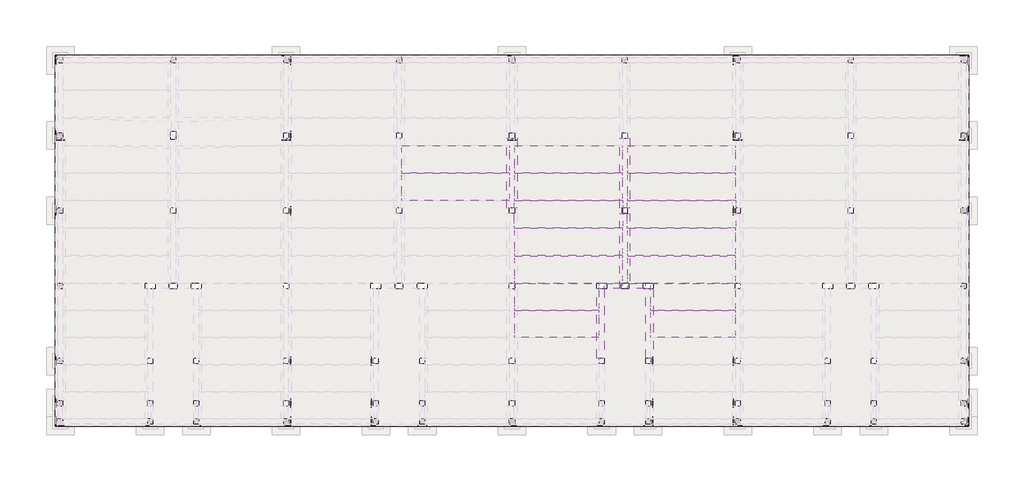
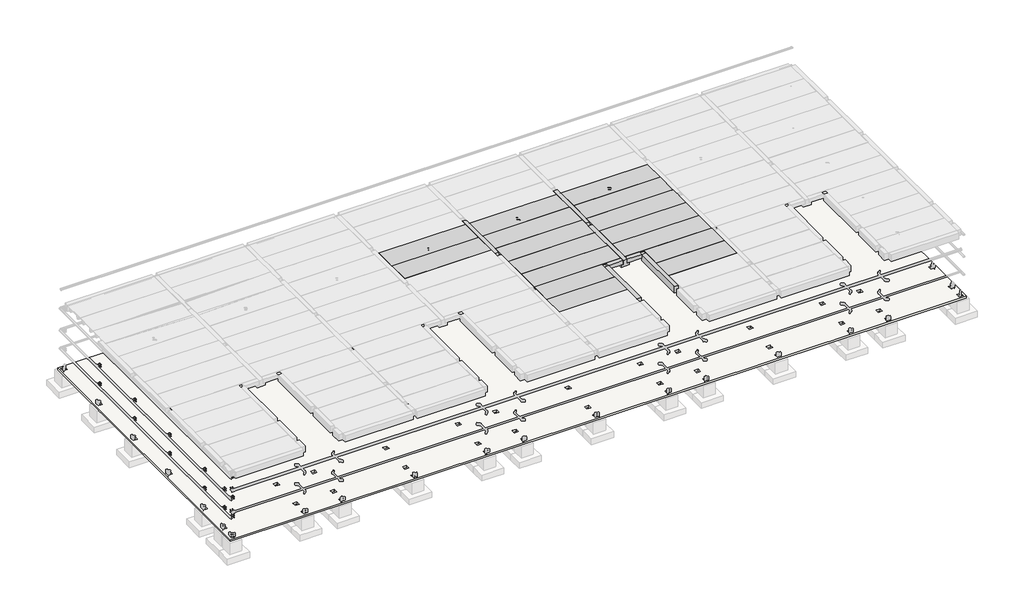
# One storey, part 31 of 65: 23 beams, 2 slabs.
"""IFC4 building model written with IfcOpenShell, lengths in millimetres."""

import ifcopenshell
import ifcopenshell.guid

model = None  # the IFC model being written
_history = None  # IfcOwnerHistory: only IFC2X3 demands one
_inside = {}  # id of a spatial element -> (the spatial element, [elements in it])
_under = {}  # id of a project, library or spatial element -> (it, [spatial elements below it])
_declared = {}  # id of a project -> (the project, [libraries it declares])
_typed = {}  # id of a type object -> (the type object, [elements of that type])
_made_of = {}  # id of a material, layer set ... -> (it, [elements and type objects made of it])


def new_model(schema):
    """Start an empty IFC model of exactly this schema.

    Asked for "IFC4X3", IfcOpenShell would pick the latest addendum, in which some entities
    have other attributes; the version numbers below select the first issue.
    IFC2X3 requires an IfcOwnerHistory on every rooted entity: one is made here for all.
    """
    global model, _history
    if schema == "IFC4X3":
        model = ifcopenshell.file(schema_version=(4, 3, 0, 0))
    else:
        model = ifcopenshell.file(schema=schema)
    _inside.clear()
    _under.clear()
    _declared.clear()
    _typed.clear()
    _made_of.clear()
    _history = None
    if model.schema == "IFC2X3":
        org = make("IfcOrganization", Name="unknown")
        user = make(
            "IfcPersonAndOrganization",
            ThePerson=make("IfcPerson", FamilyName="unknown"),
            TheOrganization=org,
        )
        app = make(
            "IfcApplication",
            ApplicationDeveloper=org,
            Version="unknown",
            ApplicationFullName="unknown",
            ApplicationIdentifier="unknown",
        )
        _history = make(
            "IfcOwnerHistory",
            OwningUser=user,
            OwningApplication=app,
            ChangeAction="ADDED",
            CreationDate=0,
        )
    return model


def make(cls, **values):
    """One entity of the class cls with the attributes given. An attribute that is None is left unset."""
    return model.create_entity(
        cls, **{name: value for name, value in values.items() if value is not None}
    )


def rooted(cls, **values):
    """An entity with a GlobalId (a new one), such as an element, a storey or a relation."""
    return make(cls, GlobalId=ifcopenshell.guid.new(), OwnerHistory=_history, **values)


def si_unit(unit_type, name, prefix=None):
    """IfcSIUnit, for example si_unit("LENGTHUNIT", "METRE", prefix="MILLI")."""
    return make("IfcSIUnit", UnitType=unit_type, Prefix=prefix, Name=name)


def assignment(units):
    """IfcUnitAssignment: the units of a project."""
    return None if units is None else make("IfcUnitAssignment", Units=units)


def point(xyz):
    """IfcCartesianPoint."""
    return None if xyz is None else make("IfcCartesianPoint", Coordinates=xyz)


def direction(xyz):
    """IfcDirection."""
    return None if xyz is None else make("IfcDirection", DirectionRatios=xyz)


def frame(location, z_axis=None, x_axis=None):
    """IfcAxis2Placement3D, a coordinate frame: its origin and axes. An axis left out is left unset."""
    return make(
        "IfcAxis2Placement3D",
        Location=point(location),
        Axis=direction(z_axis),
        RefDirection=direction(x_axis),
    )


def origin():
    """The frame at (0, 0, 0) with its axes left unset."""
    return frame((0.0, 0.0, 0.0))


def place(relative_to, where):
    """IfcLocalPlacement: puts the frame where relative to a parent placement (None: the world)."""
    return make(
        "IfcLocalPlacement", PlacementRelTo=relative_to, RelativePlacement=where
    )


def context(
    kind, dimensions, precision=None, world=None, true_north=None, identifier=None
):
    """IfcGeometricRepresentationContext, for example the 3D "Model" context."""
    return make(
        "IfcGeometricRepresentationContext",
        ContextIdentifier=identifier,
        ContextType=kind,
        CoordinateSpaceDimension=dimensions,
        Precision=precision,
        WorldCoordinateSystem=world,
        TrueNorth=true_north,
    )


def project(units=None, contexts=None):
    """IfcProject with its units and contexts."""
    return rooted(
        "IfcProject",
        Name="project",
        RepresentationContexts=contexts,
        UnitsInContext=assignment(units),
    )


def spatial(cls, under=None, at=None, **own):
    """A site, building, storey or space (cls), placed at a placement, below another one or the project."""
    s = rooted(cls, ObjectPlacement=at, **own)
    if under is not None:
        _under.setdefault(under.id(), (under, []))[1].append(s)
    return s


def polyline(points):
    """IfcPolyline through the points."""
    return make("IfcPolyline", Points=[point(p) for p in points])


def outline(outer, holes=None, kind="AREA"):
    """IfcArbitraryClosedProfileDef: a profile drawn as a closed curve; with holes, ...WithVoids."""
    if holes is None:
        return make("IfcArbitraryClosedProfileDef", ProfileType=kind, OuterCurve=outer)
    return make(
        "IfcArbitraryProfileDefWithVoids",
        ProfileType=kind,
        OuterCurve=outer,
        InnerCurves=holes,
    )


def extrude(swept, where, along, depth):
    """IfcExtrudedAreaSolid: the profile swept, set in the frame where, extruded along a direction by depth."""
    return make(
        "IfcExtrudedAreaSolid",
        SweptArea=swept,
        Position=where,
        ExtrudedDirection=direction(along),
        Depth=depth,
    )


def faces_of(points, faces, orient=None, outer=None):
    """IfcFace entities. A face is a list of loops; a loop is a list of indices into points, from 0.

    orient and outer hold one flag for each loop. By default every Orientation is true, the
    first loop of a face is its IfcFaceOuterBound and the others are IfcFaceBound.
    """
    made = []
    for i, loops in enumerate(faces):
        bounds = []
        for j, loop in enumerate(loops):
            is_outer = j == 0 if outer is None else outer[i][j]
            bounds.append(
                make(
                    "IfcFaceOuterBound" if is_outer else "IfcFaceBound",
                    Bound=make("IfcPolyLoop", Polygon=[points[k] for k in loop]),
                    Orientation=True if orient is None else orient[i][j],
                )
            )
        made.append(make("IfcFace", Bounds=bounds))
    return made


def faceted_brep(points, faces, orient=None, outer=None, voids=None):
    """IfcFacetedBrep: a solid bounded by flat faces; with voids (closed shells), ...WithVoids."""
    shared = [point(p) for p in points]
    hull = make("IfcClosedShell", CfsFaces=faces_of(shared, faces, orient, outer))
    if voids is None:
        return make("IfcFacetedBrep", Outer=hull)
    return make(
        "IfcFacetedBrepWithVoids",
        Outer=hull,
        Voids=[
            make(cls, CfsFaces=faces_of(shared, fs, o, b)) for cls, fs, o, b in voids
        ],
    )


def shape(context_of_items, identifier, shape_type, items):
    """IfcShapeRepresentation: the items that make up one representation, for example the "Body"."""
    return make(
        "IfcShapeRepresentation",
        ContextOfItems=context_of_items,
        RepresentationIdentifier=identifier,
        RepresentationType=shape_type,
        Items=items,
    )


def source(mapping_origin, context_of_items, identifier, shape_type, items):
    """IfcRepresentationMap: a shape defined once, which mapped items show again and again."""
    return make(
        "IfcRepresentationMap",
        MappingOrigin=mapping_origin,
        MappedRepresentation=shape(context_of_items, identifier, shape_type, items),
    )


def transform(
    local_origin,
    x_axis=None,
    y_axis=None,
    z_axis=None,
    scale=None,
    scale2=None,
    scale3=None,
    uniform=True,
):
    """IfcCartesianTransformationOperator3D, or its non-uniform kind. x_axis, y_axis, z_axis: its Axis1, 2, 3."""
    if uniform:
        return make(
            "IfcCartesianTransformationOperator3D",
            Axis1=direction(x_axis),
            Axis2=direction(y_axis),
            LocalOrigin=point(local_origin),
            Scale=scale,
            Axis3=direction(z_axis),
        )
    return make(
        "IfcCartesianTransformationOperator3DnonUniform",
        Axis1=direction(x_axis),
        Axis2=direction(y_axis),
        LocalOrigin=point(local_origin),
        Scale=scale,
        Axis3=direction(z_axis),
        Scale2=scale2,
        Scale3=scale3,
    )


def mapped(mapping_source, mapping_target):
    """IfcMappedItem: shows the shape of a source again, moved by a transform."""
    return make(
        "IfcMappedItem", MappingSource=mapping_source, MappingTarget=mapping_target
    )


def made_of(thing, what):
    """Note that an element or type object is made of a material, layer set ...; save() writes the relation."""
    if what is not None:
        _made_of.setdefault(what.id(), (what, []))[1].append(thing)
    return thing


def element(
    cls,
    number,
    at=None,
    inside=None,
    cuts=None,
    type_object=None,
    material=None,
    context=None,
    identifier="Body",
    shape_type=None,
    held_by="IfcProductDefinitionShape",
    body=None,
    shapes=None,
    **own,
):
    """One element of the class cls, such as IfcWall. Its Tag is "e" and its number.

    at: its placement. inside: the storey or other place that contains it. cuts: it is an
    opening in that element (IfcRelVoidsElement). A single representation is given by context,
    identifier, shape_type and body (its items); several are given by shapes. held_by: the class
    of the entity that holds the representations. save() writes the other relations.
    """
    e = rooted(cls, Tag="e%d" % number, ObjectPlacement=at, **own)
    if body is not None:
        shapes = [shape(context, identifier, shape_type, body)]
    if shapes is not None:
        e.Representation = make(held_by, Representations=shapes)
    if inside is not None:
        _inside.setdefault(inside.id(), (inside, []))[1].append(e)
    if cuts is not None:
        rooted(
            "IfcRelVoidsElement", RelatingBuildingElement=cuts, RelatedOpeningElement=e
        )
    if type_object is not None:
        _typed.setdefault(type_object.id(), (type_object, []))[1].append(e)
    return made_of(e, material)


def aggregate(whole, parts):
    """IfcRelAggregates: a whole, such as a stair, and the parts it consists of."""
    return rooted("IfcRelAggregates", RelatingObject=whole, RelatedObjects=parts)


def save(model, path):
    """Write the relations noted so far, then the file.

    IfcRelAggregates (storeys below a building ...), IfcRelContainedInSpatialStructure (elements
    in a storey), IfcRelDefinesByType, IfcRelAssociatesMaterial and IfcRelDeclares: one each for
    every whole, place, type object, material and project.
    """
    for whole, parts in _under.values():
        aggregate(whole, parts)
    for where, things in _inside.values():
        rooted(
            "IfcRelContainedInSpatialStructure",
            RelatedElements=things,
            RelatingStructure=where,
        )
    for kind, things in _typed.values():
        rooted("IfcRelDefinesByType", RelatedObjects=things, RelatingType=kind)
    for what, things in _made_of.values():
        rooted("IfcRelAssociatesMaterial", RelatedObjects=things, RelatingMaterial=what)
    for by, libraries in _declared.values():
        rooted("IfcRelDeclares", RelatingContext=by, RelatedDefinitions=libraries)
    model.write(path)


def precast_double_tee_2t01_1280_x_400mm_w2190mm_a1604d25(model_context):
    return source(origin(), model_context, "Body", "SweptSolid", [
        extrude(outline(polyline([(1095.0, 200.0), (1095.0, 150.0), (745.4, 150.0), (720.0, -200.0), (560.0, -200.0), (534.6, 150.0), (-534.6, 150.0), (-560.0, -200.0), (-720.0, -200.0), (-745.4, 150.0), (-1095.0, 150.0), (-1095.0, 200.0), (1095.0, 200.0)])), frame((-4280.0, 0.0, 0.0), z_axis=(1.0, 0.0, 0.0), x_axis=(0.0, 1.0, 0.0)), (0.0, 0.0, 1.0), 8560.0),
    ])


def precast_double_tee_2t01_1280_x_400mm_w2190mm_a7a6afda(model_context):
    return source(origin(), model_context, "Body", "SweptSolid", [
        extrude(outline(polyline([(1095.0, 200.0), (1095.0, 150.0), (745.4, 150.0), (720.0, -200.0), (560.0, -200.0), (534.6, 150.0), (-534.6, 150.0), (-560.0, -200.0), (-720.0, -200.0), (-745.4, 150.0), (-1095.0, 150.0), (-1095.0, 200.0), (1095.0, 200.0)])), frame((-4318.0, 0.0, 0.0), z_axis=(1.0, 0.0, 0.0), x_axis=(0.0, 1.0, 0.0)), (0.0, 0.0, 1.0), 8636.0),
    ])


def precast_double_tee_2t02_1280_x_400mm_w2150mm_0904805b(model_context):
    return source(origin(), model_context, "Body", "SweptSolid", [
        extrude(outline(polyline([(1075.0, 200.0), (1075.0, 150.0), (745.4, 150.0), (720.0, -200.0), (560.0, -200.0), (534.6, 150.0), (-534.6, 150.0), (-560.0, -200.0), (-720.0, -200.0), (-745.4, 150.0), (-1075.0, 150.0), (-1075.0, 200.0), (1075.0, 200.0)])), frame((-3355.0, 0.0, 0.0), z_axis=(1.0, 0.0, 0.0), x_axis=(0.0, 1.0, 0.0)), (0.0, 0.0, 1.0), 6710.0),
    ])


def precast_inverted_tee_800_it_650_bde82fb4(model_context):
    return source(origin(), model_context, "Body", "SweptSolid", [
        extrude(outline(polyline([(400.0, -325.0), (-400.0, -325.0), (-400.0, -75.0), (-200.0, -75.0), (-200.0, 325.0), (200.0, 325.0), (200.0, -75.0), (400.0, -75.0), (400.0, -325.0)])), frame((-2780.0, 0.0, 0.0), z_axis=(1.0, 0.0, 0.0), x_axis=(0.0, 1.0, 0.0)), (0.0, 0.0, 1.0), 5560.0),
    ])


def precast_inverted_tee_800_it_650_51edf71b(model_context):
    return source(origin(), model_context, "Body", "SweptSolid", [
        extrude(outline(polyline([(400.0, -325.0), (-400.0, -325.0), (-400.0, -75.0), (-200.0, -75.0), (-200.0, 325.0), (200.0, 325.0), (200.0, -75.0), (400.0, -75.0), (400.0, -325.0)])), frame((-3200.0, 0.0, 0.0), z_axis=(1.0, 0.0, 0.0), x_axis=(0.0, 1.0, 0.0)), (0.0, 0.0, 1.0), 5980.0),
    ])


def precast_l_shaped_beam_400_lb_650_ff98f28c(model_context):
    return source(origin(), model_context, "Body", "SweptSolid", [
        extrude(outline(polyline([(300.0, -325.0), (-300.0, -325.0), (-300.0, -75.0), (-100.0, -75.0), (-100.0, 325.0), (300.0, 325.0), (300.0, -325.0)])), frame((-2780.0, 0.0, 0.0), z_axis=(1.0, 0.0, 0.0), x_axis=(0.0, 1.0, 0.0)), (0.0, 0.0, 1.0), 5560.0),
    ])


def precast_l_shaped_beam_400_lb_650_861620c8(model_context):
    return source(origin(), model_context, "Body", "SweptSolid", [
        extrude(outline(polyline([(-300.0, -325.0), (-300.0, 325.0), (100.0, 325.0), (100.0, -75.0), (300.0, -75.0), (300.0, -325.0), (-300.0, -325.0)])), frame((-2780.0, 0.0, 0.0), z_axis=(1.0, 0.0, 0.0), x_axis=(0.0, 1.0, 0.0)), (0.0, 0.0, 1.0), 5560.0),
    ])


def precast_rectangular_beam_400x400_3aca08c0(model_context):
    return source(origin(), model_context, "Body", "SweptSolid", [
        extrude(outline(polyline([(-705.0, -200.0), (-705.0, 200.0), (705.0, 200.0), (705.0, -200.0), (-705.0, -200.0)])), frame((0.0, 0.0, -200.0), z_axis=(0.0, 0.0, 1.0), x_axis=(1.0, 0.0, 0.0)), (0.0, 0.0, 1.0), 400.0),
    ])


model = new_model("IFC4")

# Units and contexts
model_context = context("Model", 3, world=origin())
ifc_project = project(units=[si_unit("LENGTHUNIT", "METRE", prefix="MILLI")], contexts=[model_context])

# Site, building, storey
site = spatial("IfcSite", under=ifc_project)
building = spatial("IfcBuilding", under=site)
storey = spatial("IfcBuildingStorey", under=building, Elevation=0.0)

# Beams
placement = place(None, origin())
precast_double_tee_2t01_1280_x_400mm_w2190mm_shape = precast_double_tee_2t01_1280_x_400mm_w2190mm_a1604d25(model_context)
element("IfcBeam", 1, ObjectType="Precast - Double Tee : 2T01_1280 x 400mm W2190mm", at=placement, inside=storey, context=model_context, shape_type="MappedRepresentation", body=[
    mapped(precast_double_tee_2t01_1280_x_400mm_w2190mm_shape, transform((41500.0, 30905.0, 6520.0), x_axis=(1.0, 0.0, 0.0), y_axis=(0.0, 1.0, 0.0), z_axis=(0.0, 0.0, 1.0))),
])
element("IfcBeam", 2, ObjectType="Precast - Double Tee : 2T01_1280 x 400mm W2190mm", at=placement, inside=storey, context=model_context, shape_type="MappedRepresentation", body=[
    mapped(precast_double_tee_2t01_1280_x_400mm_w2190mm_shape, transform((41500.0, 28705.0, 6520.0), x_axis=(1.0, 0.0, 0.0), y_axis=(0.0, 1.0, 0.0), z_axis=(0.0, 0.0, 1.0))),
])
element("IfcBeam", 3, ObjectType="Precast - Double Tee : 2T01_1280 x 400mm W2190mm", at=placement, inside=storey, context=model_context, shape_type="MappedRepresentation", body=[
    mapped(precast_double_tee_2t01_1280_x_400mm_w2190mm_shape, transform((50500.0, 30905.0, 6520.0), x_axis=(1.0, 0.0, 0.0), y_axis=(0.0, 1.0, 0.0), z_axis=(0.0, 0.0, 1.0))),
])
element("IfcBeam", 4, ObjectType="Precast - Double Tee : 2T01_1280 x 400mm W2190mm", at=placement, inside=storey, context=model_context, shape_type="MappedRepresentation", body=[
    mapped(precast_double_tee_2t01_1280_x_400mm_w2190mm_shape, transform((50500.0, 28705.0, 6520.0), x_axis=(1.0, 0.0, 0.0), y_axis=(0.0, 1.0, 0.0), z_axis=(0.0, 0.0, 1.0))),
])
element("IfcBeam", 5, ObjectType="Precast - Double Tee : 2T01_1280 x 400mm W2190mm", at=placement, inside=storey, context=model_context, shape_type="MappedRepresentation", body=[
    mapped(precast_double_tee_2t01_1280_x_400mm_w2190mm_shape, transform((50500.0, 24305.0, 6520.0), x_axis=(1.0, 0.0, 0.0), y_axis=(0.0, 1.0, 0.0), z_axis=(0.0, 0.0, 1.0))),
])
element("IfcBeam", 6, ObjectType="Precast - Double Tee : 2T01_1280 x 400mm W2190mm", at=placement, inside=storey, context=model_context, shape_type="MappedRepresentation", body=[
    mapped(precast_double_tee_2t01_1280_x_400mm_w2190mm_shape, transform((50500.0, 22105.0, 6520.0), x_axis=(1.0, 0.0, 0.0), y_axis=(0.0, 1.0, 0.0), z_axis=(0.0, 0.0, 1.0))),
])
element("IfcBeam", 7, ObjectType="Precast - Double Tee : 2T01_1280 x 400mm W2190mm", at=placement, inside=storey, context=model_context, shape_type="MappedRepresentation", body=[
    mapped(precast_double_tee_2t01_1280_x_400mm_w2190mm_shape, transform((59500.0, 30905.0, 6520.0), x_axis=(1.0, 0.0, 0.0), y_axis=(0.0, 1.0, 0.0), z_axis=(0.0, 0.0, 1.0))),
])
element("IfcBeam", 8, ObjectType="Precast - Double Tee : 2T01_1280 x 400mm W2190mm", at=placement, inside=storey, context=model_context, shape_type="MappedRepresentation", body=[
    mapped(precast_double_tee_2t01_1280_x_400mm_w2190mm_shape, transform((59500.0, 28705.0, 6520.0), x_axis=(1.0, 0.0, 0.0), y_axis=(0.0, 1.0, 0.0), z_axis=(0.0, 0.0, 1.0))),
])
element("IfcBeam", 9, ObjectType="Precast - Double Tee : 2T01_1280 x 400mm W2190mm", at=placement, inside=storey, context=model_context, shape_type="MappedRepresentation", body=[
    mapped(precast_double_tee_2t01_1280_x_400mm_w2190mm_shape, transform((59500.0, 24305.0, 6520.0), x_axis=(1.0, 0.0, 0.0), y_axis=(0.0, 1.0, 0.0), z_axis=(0.0, 0.0, 1.0))),
])
element("IfcBeam", 10, ObjectType="Precast - Double Tee : 2T01_1280 x 400mm W2190mm", at=placement, inside=storey, context=model_context, shape_type="MappedRepresentation", body=[
    mapped(precast_double_tee_2t01_1280_x_400mm_w2190mm_shape, transform((59500.0, 22105.0, 6520.0), x_axis=(1.0, 0.0, 0.0), y_axis=(0.0, 1.0, 0.0), z_axis=(0.0, 0.0, 1.0))),
])
precast_double_tee_2t01_1280_x_400mm_w2190mm_2_shape = precast_double_tee_2t01_1280_x_400mm_w2190mm_a7a6afda(model_context)
element("IfcBeam", 11, ObjectType="Precast - Double Tee : 2T01_1280 x 400mm W2190mm", at=placement, inside=storey, context=model_context, shape_type="MappedRepresentation", body=[
    mapped(precast_double_tee_2t01_1280_x_400mm_w2190mm_2_shape, transform((50500.0, 26505.0, 6520.0), x_axis=(1.0, 0.0, 0.0), y_axis=(0.0, 1.0, 0.0), z_axis=(0.0, 0.0, 1.0))),
])
element("IfcBeam", 12, ObjectType="Precast - Double Tee : 2T01_1280 x 400mm W2190mm", at=placement, inside=storey, context=model_context, shape_type="MappedRepresentation", body=[
    mapped(precast_double_tee_2t01_1280_x_400mm_w2190mm_2_shape, transform((59500.0, 26505.0, 6520.0), x_axis=(1.0, 0.0, 0.0), y_axis=(0.0, 1.0, 0.0), z_axis=(0.0, 0.0, 1.0))),
])
precast_double_tee_2t02_1280_x_400mm_w2150mm_shape = precast_double_tee_2t02_1280_x_400mm_w2150mm_0904805b(model_context)
element("IfcBeam", 13, ObjectType="Precast - Double Tee : 2T02_1280 x 400mm W2150mm", at=placement, inside=storey, context=model_context, shape_type="MappedRepresentation", body=[
    mapped(precast_double_tee_2t02_1280_x_400mm_w2150mm_shape, transform((49575.0, 19915.0, 6520.0), x_axis=(1.0, 0.0, 0.0), y_axis=(0.0, 1.0, 0.0), z_axis=(0.0, 0.0, 1.0))),
])
element("IfcBeam", 14, ObjectType="Precast - Double Tee : 2T02_1280 x 400mm W2150mm", at=placement, inside=storey, context=model_context, shape_type="MappedRepresentation", body=[
    mapped(precast_double_tee_2t02_1280_x_400mm_w2150mm_shape, transform((49575.0, 17755.0, 6520.0), x_axis=(1.0, 0.0, 0.0), y_axis=(0.0, 1.0, 0.0), z_axis=(0.0, 0.0, 1.0))),
])
element("IfcBeam", 15, ObjectType="Precast - Double Tee : 2T02_1280 x 400mm W2150mm", at=placement, inside=storey, context=model_context, shape_type="MappedRepresentation", body=[
    mapped(precast_double_tee_2t02_1280_x_400mm_w2150mm_shape, transform((60425.0, 19915.0, 6520.0), x_axis=(1.0, 0.0, 0.0), y_axis=(0.0, 1.0, 0.0), z_axis=(0.0, 0.0, 1.0))),
])
element("IfcBeam", 16, ObjectType="Precast - Double Tee : 2T02_1280 x 400mm W2150mm", at=placement, inside=storey, context=model_context, shape_type="MappedRepresentation", body=[
    mapped(precast_double_tee_2t02_1280_x_400mm_w2150mm_shape, transform((60425.0, 17755.0, 6520.0), x_axis=(1.0, 0.0, 0.0), y_axis=(0.0, 1.0, 0.0), z_axis=(0.0, 0.0, 1.0))),
])
precast_inverted_tee_800_it_650_shape = precast_inverted_tee_800_it_650_bde82fb4(model_context)
element("IfcBeam", 17, ObjectType="Precast - Inverted Tee : 800 IT 650", at=placement, inside=storey, context=model_context, shape_type="MappedRepresentation", body=[
    mapped(precast_inverted_tee_800_it_650_shape, transform((55000.0, 29800.0, 6395.0), x_axis=(0.0, 1.0, 0.0), y_axis=(-1.0, 0.0, 0.0), z_axis=(0.0, 0.0, 1.0))),
])
element("IfcBeam", 18, ObjectType="Precast - Inverted Tee : 800 IT 650", at=placement, inside=storey, context=model_context, shape_type="MappedRepresentation", body=[
    mapped(precast_inverted_tee_800_it_650_shape, transform((46000.0, 29800.0, 6395.0), x_axis=(0.0, 1.0, 0.0), y_axis=(-1.0, 0.0, 0.0), z_axis=(0.0, 0.0, 1.0))),
])
precast_inverted_tee_800_it_650_2_shape = precast_inverted_tee_800_it_650_51edf71b(model_context)
element("IfcBeam", 19, ObjectType="Precast - Inverted Tee : 800 IT 650", at=placement, inside=storey, context=model_context, shape_type="MappedRepresentation", body=[
    mapped(precast_inverted_tee_800_it_650_2_shape, transform((55000.0, 23800.0, 6395.0), x_axis=(0.0, 1.0, 0.0), y_axis=(-1.0, 0.0, 0.0), z_axis=(0.0, 0.0, 1.0))),
])
precast_l_shaped_beam_400_lb_650_shape = precast_l_shaped_beam_400_lb_650_ff98f28c(model_context)
element("IfcBeam", 20, ObjectType="Precast - L Shaped Beam : 400 LB 650", at=placement, inside=storey, context=model_context, shape_type="MappedRepresentation", body=[
    mapped(precast_l_shaped_beam_400_lb_650_shape, transform((56950.0, 17800.0, 6395.0), x_axis=(0.0, 1.0, 0.0), y_axis=(-1.0, 0.0, 0.0), z_axis=(0.0, 0.0, 1.0))),
])
precast_l_shaped_beam_400_lb_650_2_shape = precast_l_shaped_beam_400_lb_650_861620c8(model_context)
element("IfcBeam", 21, ObjectType="Precast - L Shaped Beam : 400 LB 650", at=placement, inside=storey, context=model_context, shape_type="MappedRepresentation", body=[
    mapped(precast_l_shaped_beam_400_lb_650_2_shape, transform((53050.0, 17800.0, 6395.0), x_axis=(0.0, 1.0, 0.0), y_axis=(-1.0, 0.0, 0.0), z_axis=(0.0, 0.0, 1.0))),
])
precast_rectangular_beam_400x400_shape = precast_rectangular_beam_400x400_3aca08c0(model_context)
element("IfcBeam", 22, ObjectType="Precast-Rectangular Beam : 400x400", at=placement, inside=storey, context=model_context, shape_type="MappedRepresentation", body=[
    mapped(precast_rectangular_beam_400x400_shape, transform((54075.0, 20800.0, 6520.0), x_axis=(1.0, 0.0, 0.0), y_axis=(0.0, 1.0, 0.0), z_axis=(0.0, 0.0, 1.0))),
])
element("IfcBeam", 23, ObjectType="Precast-Rectangular Beam : 400x400", at=placement, inside=storey, context=model_context, shape_type="MappedRepresentation", body=[
    mapped(precast_rectangular_beam_400x400_shape, transform((55925.0, 20800.0, 6520.0), x_axis=(1.0, 0.0, 0.0), y_axis=(0.0, 1.0, 0.0), z_axis=(0.0, 0.0, 1.0))),
])

# Slabs
element("IfcSlab", 24, ObjectType="200mm Foundation Slab", at=placement, inside=storey, context=model_context, shape_type="SweptSolid", body=[
    extrude(outline(polyline([(82400.0, 39200.0), (82400.0, 9600.0), (9600.0, 9600.0), (9600.0, 39200.0), (82400.0, 39200.0)]), holes=[polyline([(10190.0, 39000.0), (9810.0, 39000.0), (9800.0, 38990.0), (9800.0, 38610.0), (9810.0, 38600.0), (10190.0, 38600.0), (10200.0, 38610.0), (10200.0, 38990.0), (10190.0, 39000.0)]), polyline([(10190.0, 33000.0), (9810.0, 33000.0), (9800.0, 32990.0), (9800.0, 32610.0), (9810.0, 32600.0), (10190.0, 32600.0), (10200.0, 32610.0), (10200.0, 32990.0), (10190.0, 33000.0)]), polyline([(10190.0, 27000.0), (9810.0, 27000.0), (9800.0, 26990.0), (9800.0, 26610.0), (9810.0, 26600.0), (10190.0, 26600.0), (10200.0, 26610.0), (10200.0, 26990.0), (10190.0, 27000.0)]), polyline([(10190.0, 21000.0), (9810.0, 21000.0), (9800.0, 20990.0), (9800.0, 20610.0), (9810.0, 20600.0), (10190.0, 20600.0), (10200.0, 20610.0), (10200.0, 20990.0), (10190.0, 21000.0)]), polyline([(10190.0, 15000.0), (9810.0, 15000.0), (9800.0, 14990.0), (9800.0, 14610.0), (9810.0, 14600.0), (10190.0, 14600.0), (10200.0, 14610.0), (10200.0, 14990.0), (10190.0, 15000.0)]), polyline([(10190.0, 11640.0), (9810.0, 11640.0), (9800.0, 11630.0), (9800.0, 11250.0), (9810.0, 11240.0), (10190.0, 11240.0), (10200.0, 11250.0), (10200.0, 11630.0), (10190.0, 11640.0)]), polyline([(10190.0, 10200.0), (9810.0, 10200.0), (9800.0, 10190.0), (9800.0, 9810.0), (9810.0, 9800.0), (10190.0, 9800.0), (10200.0, 9810.0), (10200.0, 10190.0), (10190.0, 10200.0)]), polyline([(19190.0, 39000.0), (18810.0, 39000.0), (18800.0, 38990.0), (18800.0, 38610.0), (18810.0, 38600.0), (19190.0, 38600.0), (19200.0, 38610.0), (19200.0, 38990.0), (19190.0, 39000.0)]), polyline([(19190.0, 27000.0), (18810.0, 27000.0), (18800.0, 26990.0), (18800.0, 26610.0), (18810.0, 26600.0), (19190.0, 26600.0), (19200.0, 26610.0), (19200.0, 26990.0), (19190.0, 27000.0)]), polyline([(19300.0, 20990.0), (19290.0, 21000.0), (18710.0, 21000.0), (18700.0, 20990.0), (18700.0, 20610.0), (18710.0, 20600.0), (19290.0, 20600.0), (19300.0, 20610.0), (19300.0, 20990.0)]), polyline([(17540.0, 21000.0), (16760.0, 21000.0), (16750.0, 20990.0), (16750.0, 20610.0), (16760.0, 20600.0), (17540.0, 20600.0), (17550.0, 20610.0), (17550.0, 20990.0), (17540.0, 21000.0)]), polyline([(21240.0, 21000.0), (20460.0, 21000.0), (20450.0, 20990.0), (20450.0, 20610.0), (20460.0, 20600.0), (21240.0, 20600.0), (21250.0, 20610.0), (21250.0, 20990.0), (21240.0, 21000.0)]), polyline([(17340.0, 15000.0), (16960.0, 15000.0), (16950.0, 14990.0), (16950.0, 14610.0), (16960.0, 14600.0), (17340.0, 14600.0), (17350.0, 14610.0), (17350.0, 14990.0), (17340.0, 15000.0)]), polyline([(17340.0, 11640.0), (16960.0, 11640.0), (16950.0, 11630.0), (16950.0, 11250.0), (16960.0, 11240.0), (17340.0, 11240.0), (17350.0, 11250.0), (17350.0, 11630.0), (17340.0, 11640.0)]), polyline([(17340.0, 10200.0), (16960.0, 10200.0), (16950.0, 10190.0), (16950.0, 9810.0), (16960.0, 9800.0), (17340.0, 9800.0), (17350.0, 9810.0), (17350.0, 10190.0), (17340.0, 10200.0)]), polyline([(21040.0, 10200.0), (20660.0, 10200.0), (20650.0, 10190.0), (20650.0, 9810.0), (20660.0, 9800.0), (21040.0, 9800.0), (21050.0, 9810.0), (21050.0, 10190.0), (21040.0, 10200.0)]), polyline([(21040.0, 11640.0), (20660.0, 11640.0), (20650.0, 11630.0), (20650.0, 11250.0), (20660.0, 11240.0), (21040.0, 11240.0), (21050.0, 11250.0), (21050.0, 11630.0), (21040.0, 11640.0)]), polyline([(21040.0, 15000.0), (20660.0, 15000.0), (20650.0, 14990.0), (20650.0, 14610.0), (20660.0, 14600.0), (21040.0, 14600.0), (21050.0, 14610.0), (21050.0, 14990.0), (21040.0, 15000.0)]), polyline([(28190.0, 10200.0), (27810.0, 10200.0), (27800.0, 10190.0), (27800.0, 9810.0), (27810.0, 9800.0), (28190.0, 9800.0), (28200.0, 9810.0), (28200.0, 10190.0), (28190.0, 10200.0)]), polyline([(28190.0, 11640.0), (27810.0, 11640.0), (27800.0, 11630.0), (27800.0, 11250.0), (27810.0, 11240.0), (28190.0, 11240.0), (28200.0, 11250.0), (28200.0, 11630.0), (28190.0, 11640.0)]), polyline([(28190.0, 15000.0), (27810.0, 15000.0), (27800.0, 14990.0), (27800.0, 14610.0), (27810.0, 14600.0), (28190.0, 14600.0), (28200.0, 14610.0), (28200.0, 14990.0), (28190.0, 15000.0)]), polyline([(28190.0, 21000.0), (27810.0, 21000.0), (27800.0, 20990.0), (27800.0, 20610.0), (27810.0, 20600.0), (28190.0, 20600.0), (28200.0, 20610.0), (28200.0, 20990.0), (28190.0, 21000.0)]), polyline([(28190.0, 27000.0), (27810.0, 27000.0), (27800.0, 26990.0), (27800.0, 26610.0), (27810.0, 26600.0), (28190.0, 26600.0), (28200.0, 26610.0), (28200.0, 26990.0), (28190.0, 27000.0)]), polyline([(28190.0, 33000.0), (27810.0, 33000.0), (27800.0, 32990.0), (27800.0, 32610.0), (27810.0, 32600.0), (28190.0, 32600.0), (28200.0, 32610.0), (28200.0, 32990.0), (28190.0, 33000.0)]), polyline([(28190.0, 39000.0), (27810.0, 39000.0), (27800.0, 38990.0), (27800.0, 38610.0), (27810.0, 38600.0), (28190.0, 38600.0), (28200.0, 38610.0), (28200.0, 38990.0), (28190.0, 39000.0)]), polyline([(37190.0, 39000.0), (36810.0, 39000.0), (36800.0, 38990.0), (36800.0, 38610.0), (36810.0, 38600.0), (37190.0, 38600.0), (37200.0, 38610.0), (37200.0, 38990.0), (37190.0, 39000.0)]), polyline([(37190.0, 33000.0), (36810.0, 33000.0), (36800.0, 32990.0), (36800.0, 32610.0), (36810.0, 32600.0), (37190.0, 32600.0), (37200.0, 32610.0), (37200.0, 32990.0), (37190.0, 33000.0)]), polyline([(37190.0, 27000.0), (36810.0, 27000.0), (36800.0, 26990.0), (36800.0, 26610.0), (36810.0, 26600.0), (37190.0, 26600.0), (37200.0, 26610.0), (37200.0, 26990.0), (37190.0, 27000.0)]), polyline([(35540.0, 21000.0), (34760.0, 21000.0), (34750.0, 20990.0), (34750.0, 20610.0), (34760.0, 20600.0), (35540.0, 20600.0), (35550.0, 20610.0), (35550.0, 20990.0), (35540.0, 21000.0)]), polyline([(37300.0, 20990.0), (37290.0, 21000.0), (36710.0, 21000.0), (36700.0, 20990.0), (36700.0, 20610.0), (36710.0, 20600.0), (37290.0, 20600.0), (37300.0, 20610.0), (37300.0, 20990.0)]), polyline([(39240.0, 21000.0), (38460.0, 21000.0), (38450.0, 20990.0), (38450.0, 20610.0), (38460.0, 20600.0), (39240.0, 20600.0), (39250.0, 20610.0), (39250.0, 20990.0), (39240.0, 21000.0)]), polyline([(35340.0, 15000.0), (34960.0, 15000.0), (34950.0, 14990.0), (34950.0, 14610.0), (34960.0, 14600.0), (35340.0, 14600.0), (35350.0, 14610.0), (35350.0, 14990.0), (35340.0, 15000.0)]), polyline([(35340.0, 11640.0), (34960.0, 11640.0), (34950.0, 11630.0), (34950.0, 11250.0), (34960.0, 11240.0), (35340.0, 11240.0), (35350.0, 11250.0), (35350.0, 11630.0), (35340.0, 11640.0)]), polyline([(35340.0, 10200.0), (34960.0, 10200.0), (34950.0, 10190.0), (34950.0, 9810.0), (34960.0, 9800.0), (35340.0, 9800.0), (35350.0, 9810.0), (35350.0, 10190.0), (35340.0, 10200.0)]), polyline([(39040.0, 15000.0), (38660.0, 15000.0), (38650.0, 14990.0), (38650.0, 14610.0), (38660.0, 14600.0), (39040.0, 14600.0), (39050.0, 14610.0), (39050.0, 14990.0), (39040.0, 15000.0)]), polyline([(39040.0, 11640.0), (38660.0, 11640.0), (38650.0, 11630.0), (38650.0, 11250.0), (38660.0, 11240.0), (39040.0, 11240.0), (39050.0, 11250.0), (39050.0, 11630.0), (39040.0, 11640.0)]), polyline([(39040.0, 10200.0), (38660.0, 10200.0), (38650.0, 10190.0), (38650.0, 9810.0), (38660.0, 9800.0), (39040.0, 9800.0), (39050.0, 9810.0), (39050.0, 10190.0), (39040.0, 10200.0)]), polyline([(46190.0, 10200.0), (45810.0, 10200.0), (45800.0, 10190.0), (45800.0, 9810.0), (45810.0, 9800.0), (46190.0, 9800.0), (46200.0, 9810.0), (46200.0, 10190.0), (46190.0, 10200.0)]), polyline([(46190.0, 11640.0), (45810.0, 11640.0), (45800.0, 11630.0), (45800.0, 11250.0), (45810.0, 11240.0), (46190.0, 11240.0), (46200.0, 11250.0), (46200.0, 11630.0), (46190.0, 11640.0)]), polyline([(46190.0, 15000.0), (45810.0, 15000.0), (45800.0, 14990.0), (45800.0, 14610.0), (45810.0, 14600.0), (46190.0, 14600.0), (46200.0, 14610.0), (46200.0, 14990.0), (46190.0, 15000.0)]), polyline([(46190.0, 21000.0), (45810.0, 21000.0), (45800.0, 20990.0), (45800.0, 20610.0), (45810.0, 20600.0), (46190.0, 20600.0), (46200.0, 20610.0), (46200.0, 20990.0), (46190.0, 21000.0)]), polyline([(46190.0, 27000.0), (45810.0, 27000.0), (45800.0, 26990.0), (45800.0, 26610.0), (45810.0, 26600.0), (46190.0, 26600.0), (46200.0, 26610.0), (46200.0, 26990.0), (46190.0, 27000.0)]), polyline([(46190.0, 33000.0), (45810.0, 33000.0), (45800.0, 32990.0), (45800.0, 32610.0), (45810.0, 32600.0), (46190.0, 32600.0), (46200.0, 32610.0), (46200.0, 32990.0), (46190.0, 33000.0)]), polyline([(46190.0, 39000.0), (45810.0, 39000.0), (45800.0, 38990.0), (45800.0, 38610.0), (45810.0, 38600.0), (46190.0, 38600.0), (46200.0, 38610.0), (46200.0, 38990.0), (46190.0, 39000.0)]), polyline([(53340.0, 10200.0), (52960.0, 10200.0), (52950.0, 10190.0), (52950.0, 9810.0), (52960.0, 9800.0), (53340.0, 9800.0), (53350.0, 9810.0), (53350.0, 10190.0), (53340.0, 10200.0)]), polyline([(53340.0, 11640.0), (52960.0, 11640.0), (52950.0, 11630.0), (52950.0, 11250.0), (52960.0, 11240.0), (53340.0, 11240.0), (53350.0, 11250.0), (53350.0, 11630.0), (53340.0, 11640.0)]), polyline([(53340.0, 15000.0), (52960.0, 15000.0), (52950.0, 14990.0), (52950.0, 14610.0), (52960.0, 14600.0), (53340.0, 14600.0), (53350.0, 14610.0), (53350.0, 14990.0), (53340.0, 15000.0)]), polyline([(53540.0, 21000.0), (52760.0, 21000.0), (52750.0, 20990.0), (52750.0, 20610.0), (52760.0, 20600.0), (53540.0, 20600.0), (53550.0, 20610.0), (53550.0, 20990.0), (53540.0, 21000.0)]), polyline([(57040.0, 10200.0), (56660.0, 10200.0), (56650.0, 10190.0), (56650.0, 9810.0), (56660.0, 9800.0), (57040.0, 9800.0), (57050.0, 9810.0), (57050.0, 10190.0), (57040.0, 10200.0)]), polyline([(57040.0, 11640.0), (56660.0, 11640.0), (56650.0, 11630.0), (56650.0, 11250.0), (56660.0, 11240.0), (57040.0, 11240.0), (57050.0, 11250.0), (57050.0, 11630.0), (57040.0, 11640.0)]), polyline([(57040.0, 15000.0), (56660.0, 15000.0), (56650.0, 14990.0), (56650.0, 14610.0), (56660.0, 14600.0), (57040.0, 14600.0), (57050.0, 14610.0), (57050.0, 14990.0), (57040.0, 15000.0)]), polyline([(55300.0, 20990.0), (55290.0, 21000.0), (54710.0, 21000.0), (54700.0, 20990.0), (54700.0, 20610.0), (54710.0, 20600.0), (55290.0, 20600.0), (55300.0, 20610.0), (55300.0, 20990.0)]), polyline([(57240.0, 21000.0), (56460.0, 21000.0), (56450.0, 20990.0), (56450.0, 20610.0), (56460.0, 20600.0), (57240.0, 20600.0), (57250.0, 20610.0), (57250.0, 20990.0), (57240.0, 21000.0)]), polyline([(55190.0, 27000.0), (54810.0, 27000.0), (54800.0, 26990.0), (54800.0, 26610.0), (54810.0, 26600.0), (55190.0, 26600.0), (55200.0, 26610.0), (55200.0, 26990.0), (55190.0, 27000.0)]), polyline([(55190.0, 33000.0), (54810.0, 33000.0), (54800.0, 32990.0), (54800.0, 32610.0), (54810.0, 32600.0), (55190.0, 32600.0), (55200.0, 32610.0), (55200.0, 32990.0), (55190.0, 33000.0)]), polyline([(55190.0, 39000.0), (54810.0, 39000.0), (54800.0, 38990.0), (54800.0, 38610.0), (54810.0, 38600.0), (55190.0, 38600.0), (55200.0, 38610.0), (55200.0, 38990.0), (55190.0, 39000.0)]), polyline([(64190.0, 39000.0), (63810.0, 39000.0), (63800.0, 38990.0), (63800.0, 38610.0), (63810.0, 38600.0), (64190.0, 38600.0), (64200.0, 38610.0), (64200.0, 38990.0), (64190.0, 39000.0)]), polyline([(64190.0, 33000.0), (63810.0, 33000.0), (63800.0, 32990.0), (63800.0, 32610.0), (63810.0, 32600.0), (64190.0, 32600.0), (64200.0, 32610.0), (64200.0, 32990.0), (64190.0, 33000.0)]), polyline([(64190.0, 27000.0), (63810.0, 27000.0), (63800.0, 26990.0), (63800.0, 26610.0), (63810.0, 26600.0), (64190.0, 26600.0), (64200.0, 26610.0), (64200.0, 26990.0), (64190.0, 27000.0)]), polyline([(64190.0, 21000.0), (63810.0, 21000.0), (63800.0, 20990.0), (63800.0, 20610.0), (63810.0, 20600.0), (64190.0, 20600.0), (64200.0, 20610.0), (64200.0, 20990.0), (64190.0, 21000.0)]), polyline([(64190.0, 15000.0), (63810.0, 15000.0), (63800.0, 14990.0), (63800.0, 14610.0), (63810.0, 14600.0), (64190.0, 14600.0), (64200.0, 14610.0), (64200.0, 14990.0), (64190.0, 15000.0)]), polyline([(64190.0, 11640.0), (63810.0, 11640.0), (63800.0, 11630.0), (63800.0, 11250.0), (63810.0, 11240.0), (64190.0, 11240.0), (64200.0, 11250.0), (64200.0, 11630.0), (64190.0, 11640.0)]), polyline([(64190.0, 10200.0), (63810.0, 10200.0), (63800.0, 10190.0), (63800.0, 9810.0), (63810.0, 9800.0), (64190.0, 9800.0), (64200.0, 9810.0), (64200.0, 10190.0), (64190.0, 10200.0)]), polyline([(71340.0, 10200.0), (70960.0, 10200.0), (70950.0, 10190.0), (70950.0, 9810.0), (70960.0, 9800.0), (71340.0, 9800.0), (71350.0, 9810.0), (71350.0, 10190.0), (71340.0, 10200.0)]), polyline([(71340.0, 11640.0), (70960.0, 11640.0), (70950.0, 11630.0), (70950.0, 11250.0), (70960.0, 11240.0), (71340.0, 11240.0), (71350.0, 11250.0), (71350.0, 11630.0), (71340.0, 11640.0)]), polyline([(71340.0, 15000.0), (70960.0, 15000.0), (70950.0, 14990.0), (70950.0, 14610.0), (70960.0, 14600.0), (71340.0, 14600.0), (71350.0, 14610.0), (71350.0, 14990.0), (71340.0, 15000.0)]), polyline([(71540.0, 21000.0), (70760.0, 21000.0), (70750.0, 20990.0), (70750.0, 20610.0), (70760.0, 20600.0), (71540.0, 20600.0), (71550.0, 20610.0), (71550.0, 20990.0), (71540.0, 21000.0)]), polyline([(73300.0, 20990.0), (73290.0, 21000.0), (72710.0, 21000.0), (72700.0, 20990.0), (72700.0, 20610.0), (72710.0, 20600.0), (73290.0, 20600.0), (73300.0, 20610.0), (73300.0, 20990.0)]), polyline([(75240.0, 21000.0), (74460.0, 21000.0), (74450.0, 20990.0), (74450.0, 20610.0), (74460.0, 20600.0), (75240.0, 20600.0), (75250.0, 20610.0), (75250.0, 20990.0), (75240.0, 21000.0)]), polyline([(75040.0, 15000.0), (74660.0, 15000.0), (74650.0, 14990.0), (74650.0, 14610.0), (74660.0, 14600.0), (75040.0, 14600.0), (75050.0, 14610.0), (75050.0, 14990.0), (75040.0, 15000.0)]), polyline([(75040.0, 11640.0), (74660.0, 11640.0), (74650.0, 11630.0), (74650.0, 11250.0), (74660.0, 11240.0), (75040.0, 11240.0), (75050.0, 11250.0), (75050.0, 11630.0), (75040.0, 11640.0)]), polyline([(75040.0, 10200.0), (74660.0, 10200.0), (74650.0, 10190.0), (74650.0, 9810.0), (74660.0, 9800.0), (75040.0, 9800.0), (75050.0, 9810.0), (75050.0, 10190.0), (75040.0, 10200.0)]), polyline([(73190.0, 27000.0), (72810.0, 27000.0), (72800.0, 26990.0), (72800.0, 26610.0), (72810.0, 26600.0), (73190.0, 26600.0), (73200.0, 26610.0), (73200.0, 26990.0), (73190.0, 27000.0)]), polyline([(73190.0, 33000.0), (72810.0, 33000.0), (72800.0, 32990.0), (72800.0, 32610.0), (72810.0, 32600.0), (73190.0, 32600.0), (73200.0, 32610.0), (73200.0, 32990.0), (73190.0, 33000.0)]), polyline([(73190.0, 39000.0), (72810.0, 39000.0), (72800.0, 38990.0), (72800.0, 38610.0), (72810.0, 38600.0), (73190.0, 38600.0), (73200.0, 38610.0), (73200.0, 38990.0), (73190.0, 39000.0)]), polyline([(82190.0, 10200.0), (81810.0, 10200.0), (81800.0, 10190.0), (81800.0, 9810.0), (81810.0, 9800.0), (82190.0, 9800.0), (82200.0, 9810.0), (82200.0, 10190.0), (82190.0, 10200.0)]), polyline([(82190.0, 11640.0), (81810.0, 11640.0), (81800.0, 11630.0), (81800.0, 11250.0), (81810.0, 11240.0), (82190.0, 11240.0), (82200.0, 11250.0), (82200.0, 11630.0), (82190.0, 11640.0)]), polyline([(82190.0, 15000.0), (81810.0, 15000.0), (81800.0, 14990.0), (81800.0, 14610.0), (81810.0, 14600.0), (82190.0, 14600.0), (82200.0, 14610.0), (82200.0, 14990.0), (82190.0, 15000.0)]), polyline([(82190.0, 27000.0), (81810.0, 27000.0), (81800.0, 26990.0), (81800.0, 26610.0), (81810.0, 26600.0), (82190.0, 26600.0), (82200.0, 26610.0), (82200.0, 26990.0), (82190.0, 27000.0)]), polyline([(82190.0, 33000.0), (81810.0, 33000.0), (81800.0, 32990.0), (81800.0, 32610.0), (81810.0, 32600.0), (82190.0, 32600.0), (82200.0, 32610.0), (82200.0, 32990.0), (82190.0, 33000.0)]), polyline([(82190.0, 39000.0), (81810.0, 39000.0), (81800.0, 38990.0), (81800.0, 38610.0), (81810.0, 38600.0), (82190.0, 38600.0), (82200.0, 38610.0), (82200.0, 38990.0), (82190.0, 39000.0)]), polyline([(82190.0, 21000.0), (81810.0, 21000.0), (81800.0, 20990.0), (81800.0, 20610.0), (81810.0, 20600.0), (82190.0, 20600.0), (82200.0, 20610.0), (82200.0, 20990.0), (82190.0, 21000.0)]), polyline([(19190.0, 33100.0), (18810.0, 33100.0), (18800.0, 33090.0), (18800.0, 32510.0), (18810.0, 32500.0), (19190.0, 32500.0), (19200.0, 32510.0), (19200.0, 33090.0), (19190.0, 33100.0)])]), frame((0.0, 0.0, -200.0), z_axis=(0.0, 0.0, 1.0), x_axis=(1.0, 0.0, 0.0)), (0.0, 0.0, 1.0), 200.0),
])
element("IfcSlab", 25, ObjectType="F2.2x2.2x0.6m P1.2x1.2x1.2m", at=placement, inside=storey, context=model_context, shape_type="Brep", body=[
    faceted_brep([(44900.0, 27900.0, -2000.0), (44900.0, 25700.0, -2000.0), (44900.0, 25700.0, -1400.0), (44900.0, 27900.0, -1400.0), (47100.0, 27900.0, -1400.0), (47100.0, 25700.0, -1400.0), (46600.0, 27400.0, -1400.0), (46600.0, 26200.0, -1400.0), (45400.0, 26200.0, -1400.0), (45400.0, 27400.0, -1400.0), (46600.0, 27400.0, -200.0), (46600.0, 26200.0, -200.0), (46275.0, 27075.0, -1400.0), (45725.0, 27075.0, -1400.0), (45725.0, 26525.0, -1400.0), (46275.0, 26525.0, -1400.0), (45400.0, 27400.0, -200.0), (45400.0, 26200.0, -200.0), (45650.0, 27150.0, -200.0), (46350.0, 27150.0, -200.0), (46350.0, 26450.0, -200.0), (45650.0, 26450.0, -200.0), (47100.0, 27900.0, -2000.0), (47100.0, 25700.0, -2000.0)], [[[0, 1, 2, 3]], [[4, 3, 2, 5], [6, 7, 8, 9]], [[7, 6, 10, 11]], [[12, 13, 14, 15]], [[11, 10, 16, 17], [18, 19, 20, 21]], [[22, 23, 1, 0]], [[22, 0, 3, 4]], [[1, 23, 5, 2]], [[23, 22, 4, 5]], [[8, 7, 11, 17]], [[9, 8, 17, 16]], [[6, 9, 16, 10]], [[13, 12, 19, 18]], [[14, 13, 18, 21]], [[15, 14, 21, 20]], [[12, 15, 20, 19]]]),
])

save(model, "model.ifc")
